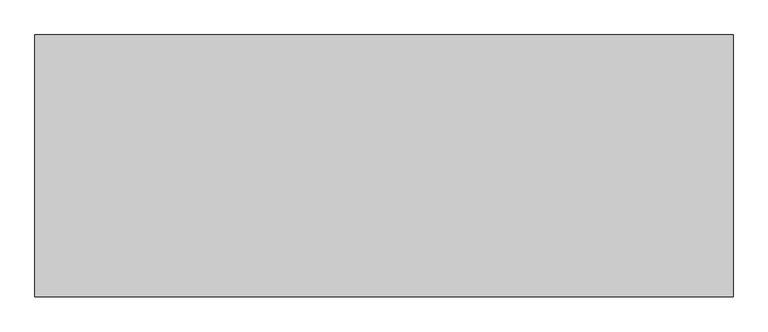
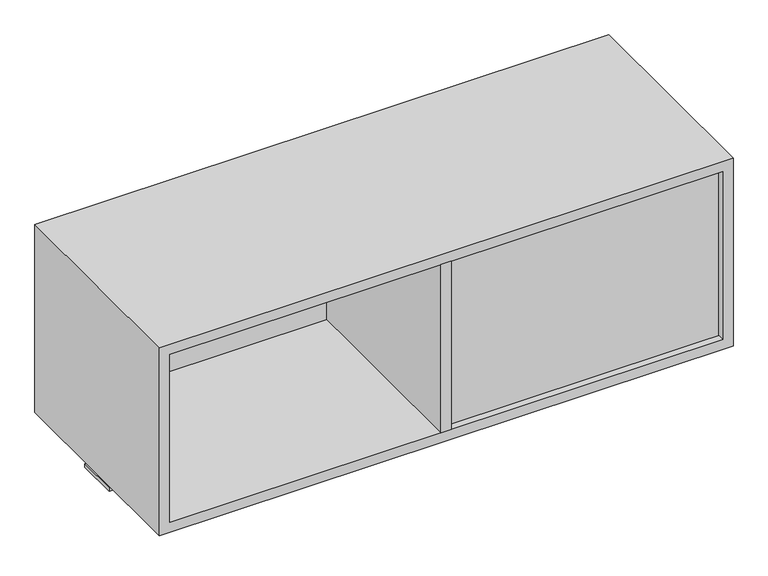
"""IFC4 building model written with IfcOpenShell, lengths in millimetres: furniture geometry."""

from ifc_helpers import new_model, si_unit, frame, origin, place, context, project, spatial, polyline, outline, extrude, source, transform, mapped, element, save


def furniture_126c78ef(model_context):
    return source(origin(), model_context, "Body", "SweptSolid", [
        extrude(outline(polyline([(85.852, -241.2273724), (66.548, -241.2273724), (66.548, 158.8226276), (85.852, 158.8226276), (85.852, -241.2273724)])), frame((0.0, 0.0, 1078.357), z_axis=(0.0, 0.0, 1.0), x_axis=(1.0, 0.0, 0.0)), (0.0, 0.0, 1.0), 330.5048),
        extrude(outline(polyline([(609.6, -2.0863724), (609.6, -80.3183724), (-457.2, -80.3183724), (-457.2, -2.0863724), (609.6, -2.0863724)])), frame((0.0, 0.0, 1048.766), z_axis=(0.0, 0.0, 1.0), x_axis=(1.0, 0.0, 0.0)), (0.0, 0.0, 1.0), 6.858),
        extrude(outline(polyline([(66.548, 145.5282676), (66.548, 126.2242676), (-437.896, 126.2242676), (-437.896, 145.5282676), (66.548, 145.5282676)])), frame((0.0, 0.0, 1078.357), z_axis=(0.0, 0.0, 1.0), x_axis=(1.0, 0.0, 0.0)), (0.0, 0.0, 1.0), 330.5048),
        extrude(outline(polyline([(590.296, -208.5832924), (590.296, -227.8872924), (85.852, -227.8872924), (85.852, -208.5832924), (590.296, -208.5832924)])), frame((0.0, 0.0, 1078.357), z_axis=(0.0, 0.0, 1.0), x_axis=(1.0, 0.0, 0.0)), (0.0, 0.0, 1.0), 330.5048),
        extrude(outline(polyline([(1428.1658, -457.2), (1059.053, -457.2), (1059.053, 609.6), (1428.1658, 609.6), (1428.1658, -457.2)]), holes=[polyline([(1408.8618, -437.896), (1408.8618, 590.296), (1078.357, 590.296), (1078.357, -437.896), (1408.8618, -437.896)])]), frame((0.0, -241.2273724, 0.0), z_axis=(0.0, 1.0, 0.0), x_axis=(0.0, 0.0, 1.0)), (0.0, 0.0, 1.0), 400.05),
        extrude(outline(polyline([(85.852, -241.2273724), (66.548, -241.2273724), (66.548, 158.8226276), (85.852, 158.8226276), (85.852, -241.2273724)])), frame((0.0, 0.0, 1078.357), z_axis=(0.0, 0.0, 1.0), x_axis=(1.0, 0.0, 0.0)), (0.0, 0.0, 1.0), 330.5048),
    ])


if __name__ == "__main__":
    model = new_model("IFC4")
    model_context = context("Model", 3, world=origin())
    ifc_project = project(units=[si_unit("LENGTHUNIT", "METRE", prefix="MILLI")], contexts=[model_context])
    site = spatial("IfcSite", under=ifc_project)
    building = spatial("IfcBuilding", under=site)
    placement = place(None, origin())
    furniture_shape = furniture_126c78ef(model_context)
    element("IfcFurniture", 1, at=placement, inside=building, context=model_context, shape_type="MappedRepresentation", body=[
        mapped(furniture_shape, transform((0.0, 0.0, 0.0), x_axis=(1.0, 0.0, 0.0), y_axis=(0.0, 1.0, 0.0), z_axis=(0.0, 0.0, 1.0))),
    ])
    save(model, "model.ifc")
